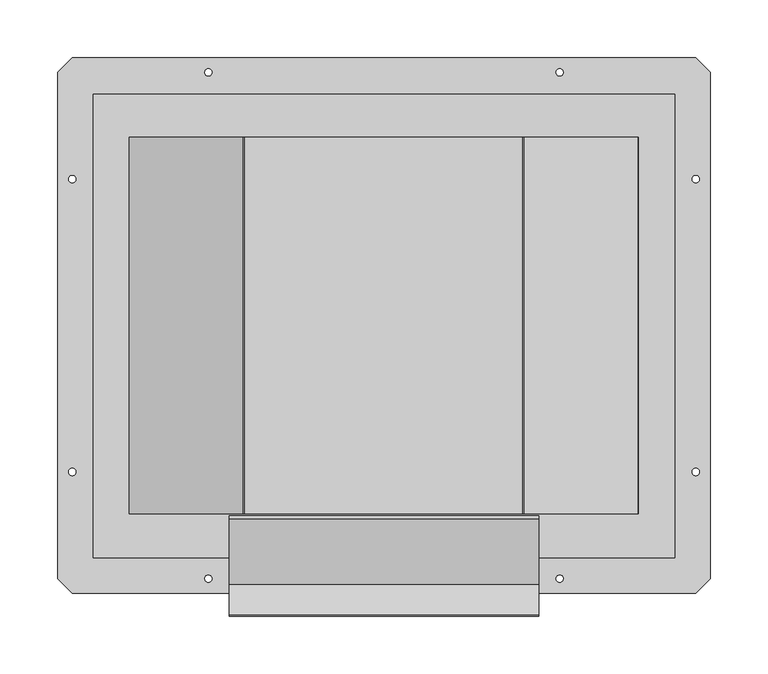
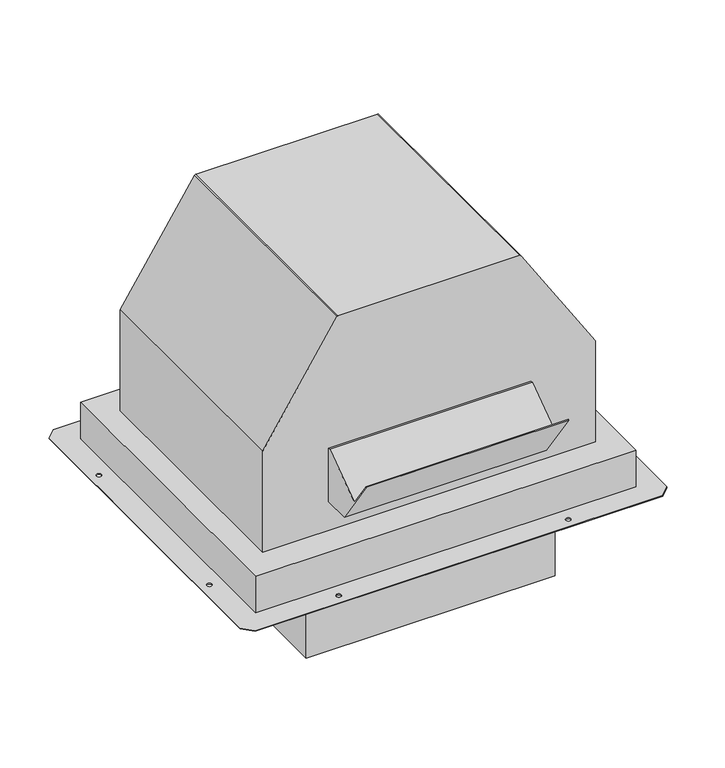
"""IFC4 building model written with IfcOpenShell, lengths in millimetres: proxy geometry."""

from ifc_helpers import new_model, si_unit, point, frame, frame_2d, origin, origin_with_axes, place, context, project, spatial, polyline, circle_curve, trimmed, segment, composite_curve, outline, extrude, source, transform, mapped, element, save


def generic_models_c2e2d808(model_context):
    return source(origin(), model_context, "Body", "SweptSolid", [
        extrude(outline(polyline([(-191.63671, 93.4339059), (-242.6276552, 166.2565226), (-241.8786226, 166.7810009), (-215.2475377, 128.7478701), (-158.7788, 168.2877059), (-155.6038, 168.2877059), (-155.6038, 93.4339059), (-191.63671, 93.4339059)])), frame((-134.2644, 0.0, 0.0), z_axis=(1.0, 0.0, 0.0), x_axis=(0.0, 1.0, 0.0)), (0.0, 0.0, 1.0), 268.5288),
        extrude(outline(polyline([(164.8590575, -157.2768), (-165.3409425, -157.2768), (-165.3409425, 172.952), (164.8590575, 172.952), (164.8590575, -157.2768)])), frame((0.0, 0.0, -114.3), z_axis=(0.0, 0.0, 1.0), x_axis=(1.0, 0.0, 0.0)), (0.0, 0.0, 1.0), 114.3),
        extrude(outline(composite_curve([segment(polyline([(193.2216216, -221.1447425), (51.816, -221.1447425), (51.816, 220.6628575), (192.7231302, 220.6628575)]), True, "CONTINUOUS"), segment(trimmed(circle_curve(frame_2d((192.7231302, 218.9610575)), 1.7018), [point((192.7231302, 220.6628575))], [point((193.6413295, 220.3938985))], False, "CARTESIAN"), True, "CONTINUOUS"), segment(polyline([(193.6413295, 220.3938985), (347.6257993, 121.7169048)]), True, "CONTINUOUS"), segment(trimmed(circle_curve(frame_2d((346.7076, 120.2840638)), 1.7018), [point((347.6257993, 121.7169048))], [point((348.4094, 120.2840638))], False, "CARTESIAN"), True, "CONTINUOUS"), segment(polyline([(348.4094, 120.2840638), (348.4094, -120.7659488)]), True, "CONTINUOUS"), segment(trimmed(circle_curve(frame_2d((346.7076, -120.7659488)), 1.7018), [point((348.4094, -120.7659488))], [point((347.6257993, -122.1987898))], False, "CARTESIAN"), True, "CONTINUOUS"), segment(polyline([(347.6257993, -122.1987898), (193.2216216, -221.1447425)]), True, "CONTINUOUS")], self_intersect=False)), frame((0.0, -153.902, 0.0), z_axis=(0.0, 1.0, 0.0), x_axis=(0.0, 0.0, 1.0)), (0.0, 0.0, 1.0), 326.854),
        extrude(outline(polyline([(-283.1846, 229.2096), (-270.4846, 241.9096), (270.4846, 241.9096), (283.1846, 229.2096), (283.1846, -210.1596), (270.4846, -222.8596), (-270.4846, -222.8596), (-283.1846, -210.1596), (-283.1846, 229.2096)]), holes=[polyline([(252.349, 210.1596), (-252.349, 210.1596), (-252.349, -192.024), (252.349, -192.024), (252.349, 210.1596)]), composite_curve([segment(trimmed(circle_curve(frame_2d((152.4, 229.2096)), 3.175), [point((149.225, 229.2096))], [point((155.575, 229.2096))], True, "CARTESIAN"), True, "CONTINUOUS"), segment(trimmed(circle_curve(frame_2d((152.4, 229.2096)), 3.175), [point((155.575, 229.2096))], [point((149.225, 229.2096))], True, "CARTESIAN"), True, "CONTINUOUS")], self_intersect=False), composite_curve([segment(trimmed(circle_curve(frame_2d((270.4846, 136.525)), 3.175), [point((267.3096, 136.525))], [point((273.6596, 136.525))], True, "CARTESIAN"), True, "CONTINUOUS"), segment(trimmed(circle_curve(frame_2d((270.4846, 136.525)), 3.175), [point((273.6596, 136.525))], [point((267.3096, 136.525))], True, "CARTESIAN"), True, "CONTINUOUS")], self_intersect=False), composite_curve([segment(trimmed(circle_curve(frame_2d((270.4846, -117.475)), 3.175), [point((267.3096, -117.475))], [point((273.6596, -117.475))], True, "CARTESIAN"), True, "CONTINUOUS"), segment(trimmed(circle_curve(frame_2d((270.4846, -117.475)), 3.175), [point((273.6596, -117.475))], [point((267.3096, -117.475))], True, "CARTESIAN"), True, "CONTINUOUS")], self_intersect=False), composite_curve([segment(trimmed(circle_curve(frame_2d((152.4, -210.1596)), 3.175), [point((149.225, -210.1596))], [point((155.575, -210.1596))], True, "CARTESIAN"), True, "CONTINUOUS"), segment(trimmed(circle_curve(frame_2d((152.4, -210.1596)), 3.175), [point((155.575, -210.1596))], [point((149.225, -210.1596))], True, "CARTESIAN"), True, "CONTINUOUS")], self_intersect=False), composite_curve([segment(trimmed(circle_curve(frame_2d((-152.4, -210.1596)), 3.175), [point((-155.575, -210.1596))], [point((-149.225, -210.1596))], True, "CARTESIAN"), True, "CONTINUOUS"), segment(trimmed(circle_curve(frame_2d((-152.4, -210.1596)), 3.175), [point((-149.225, -210.1596))], [point((-155.575, -210.1596))], True, "CARTESIAN"), True, "CONTINUOUS")], self_intersect=False), composite_curve([segment(trimmed(circle_curve(frame_2d((-270.4846, -117.475)), 3.175), [point((-273.6596, -117.475))], [point((-267.3096, -117.475))], True, "CARTESIAN"), True, "CONTINUOUS"), segment(trimmed(circle_curve(frame_2d((-270.4846, -117.475)), 3.175), [point((-267.3096, -117.475))], [point((-273.6596, -117.475))], True, "CARTESIAN"), True, "CONTINUOUS")], self_intersect=False), composite_curve([segment(trimmed(circle_curve(frame_2d((-270.4846, 136.525)), 3.175), [point((-273.6596, 136.525))], [point((-267.3096, 136.525))], True, "CARTESIAN"), True, "CONTINUOUS"), segment(trimmed(circle_curve(frame_2d((-270.4846, 136.525)), 3.175), [point((-267.3096, 136.525))], [point((-273.6596, 136.525))], True, "CARTESIAN"), True, "CONTINUOUS")], self_intersect=False), composite_curve([segment(trimmed(circle_curve(frame_2d((-152.4, 229.2096)), 3.175), [point((-155.575, 229.2096))], [point((-149.225, 229.2096))], True, "CARTESIAN"), True, "CONTINUOUS"), segment(trimmed(circle_curve(frame_2d((-152.4, 229.2096)), 3.175), [point((-149.225, 229.2096))], [point((-155.575, 229.2096))], True, "CARTESIAN"), True, "CONTINUOUS")], self_intersect=False)]), origin_with_axes(), (0.0, 0.0, 1.0), 1.016),
        extrude(outline(polyline([(252.349, 210.1596), (252.349, -192.024), (-252.349, -192.024), (-252.349, 210.1596), (252.349, 210.1596)])), frame((0.0, 0.0, 1.016), z_axis=(0.0, 0.0, 1.0), x_axis=(1.0, 0.0, 0.0)), (0.0, 0.0, 1.0), 50.8),
    ])


if __name__ == "__main__":
    model = new_model("IFC4")
    model_context = context("Model", 3, world=origin())
    ifc_project = project(units=[si_unit("LENGTHUNIT", "METRE", prefix="MILLI")], contexts=[model_context])
    site = spatial("IfcSite", under=ifc_project)
    building = spatial("IfcBuilding", under=site)
    placement = place(None, origin())
    generic_models_shape = generic_models_c2e2d808(model_context)
    element("IfcBuildingElementProxy", 1, Name="Generic Models", at=placement, inside=building, context=model_context, shape_type="MappedRepresentation", body=[
        mapped(generic_models_shape, transform((0.0, 0.0, 0.0), x_axis=(1.0, 0.0, 0.0), y_axis=(0.0, 1.0, 0.0), z_axis=(0.0, 0.0, 1.0))),
    ])
    save(model, "model.ifc")
